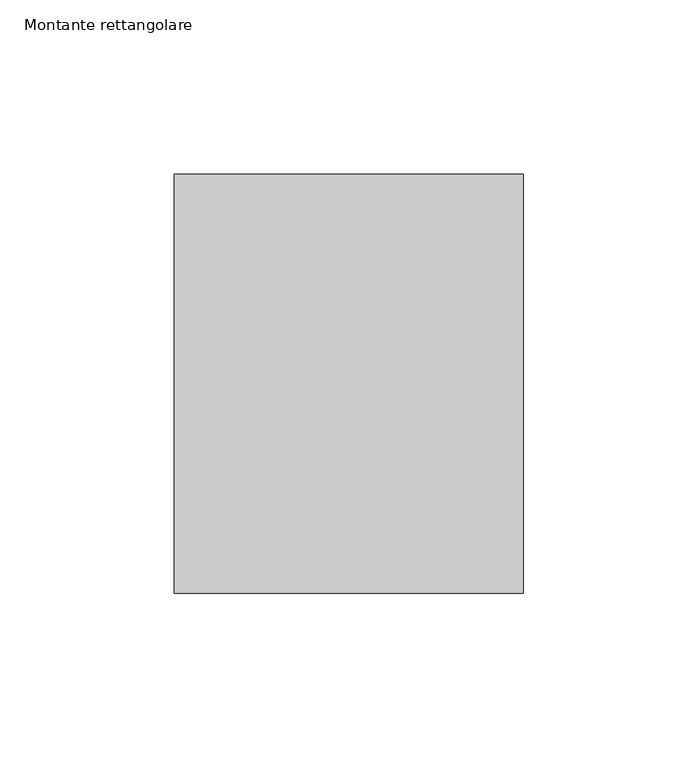
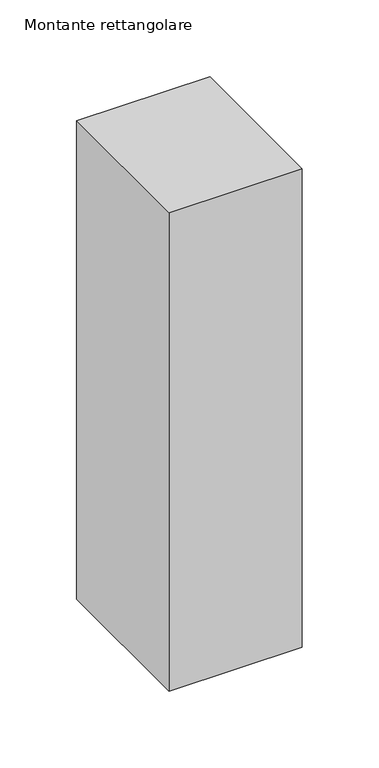
"""IFC4 building model written with IfcOpenShell, lengths in millimetres: member geometry, Montante rettangolare."""

from ifc_helpers import new_model, si_unit, frame, origin, place, context, project, spatial, polyline, outline, extrude, source, transform, mapped, element, save


def montante_rettangolare_30146be8(model_context):
    return source(origin(), model_context, "Body", "SweptSolid", [
        extrude(outline(polyline([(0.0, 60.0), (0.0, -60.0), (-100.0, -60.0), (-100.0, 60.0), (0.0, 60.0)])), frame((0.0, 0.0, -380.0), z_axis=(0.0, 0.0, 1.0), x_axis=(1.0, 0.0, 0.0)), (0.0, 0.0, 1.0), 380.0),
    ])


if __name__ == "__main__":
    model = new_model("IFC4")
    model_context = context("Model", 3, world=origin())
    ifc_project = project(units=[si_unit("LENGTHUNIT", "METRE", prefix="MILLI")], contexts=[model_context])
    site = spatial("IfcSite", under=ifc_project)
    building = spatial("IfcBuilding", under=site)
    placement = place(None, origin())
    montante_rettangolare_shape = montante_rettangolare_30146be8(model_context)
    element("IfcMember", 1, ObjectType="Montante rettangolare", at=placement, inside=building, context=model_context, shape_type="MappedRepresentation", body=[
        mapped(montante_rettangolare_shape, transform((0.0, 0.0, 0.0), x_axis=(1.0, 0.0, 0.0), y_axis=(0.0, 1.0, 0.0), z_axis=(0.0, 0.0, 1.0))),
    ])
    save(model, "model.ifc")
